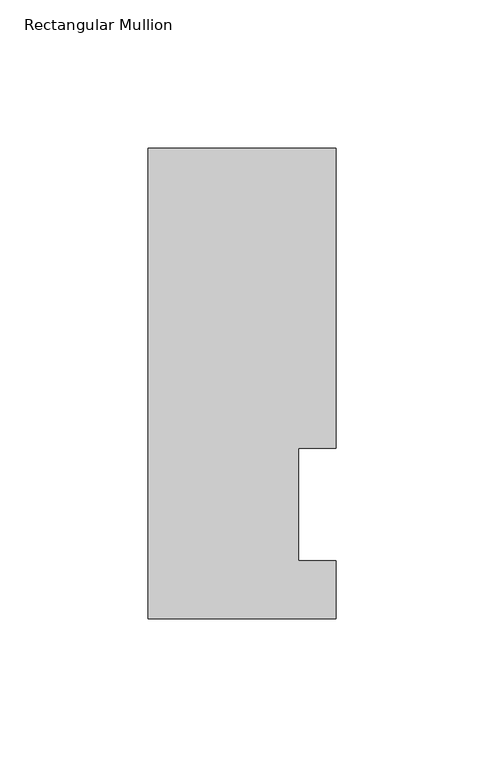
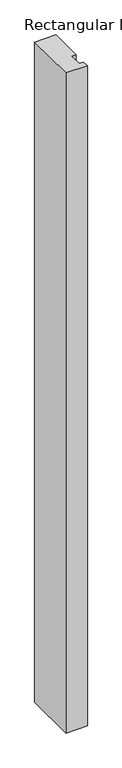
"""IFC4 building model written with IfcOpenShell, lengths in millimetres: member geometry, Rectangular Mullion."""

from ifc_helpers import new_model, si_unit, frame, origin, place, context, project, spatial, polyline, outline, extrude, source, transform, mapped, element, save


def rectangular_mullion_07258047(model_context):
    return source(origin(), model_context, "Body", "SweptSolid", [
        extrude(outline(polyline([(19.05, 57.94375), (19.05, 19.8533568), (31.75, 19.8533568), (31.75, 0.3207568), (-31.75, 0.3207568), (-31.75, 159.13735), (31.75, 159.13735), (31.75, 57.94375), (19.05, 57.94375)])), frame((0.0, 0.0, -2057.4), z_axis=(0.0, 0.0, 1.0), x_axis=(1.0, 0.0, 0.0)), (0.0, 0.0, 1.0), 2057.4),
    ])


if __name__ == "__main__":
    model = new_model("IFC4")
    model_context = context("Model", 3, world=origin())
    ifc_project = project(units=[si_unit("LENGTHUNIT", "METRE", prefix="MILLI")], contexts=[model_context])
    site = spatial("IfcSite", under=ifc_project)
    building = spatial("IfcBuilding", under=site)
    placement = place(None, origin())
    rectangular_mullion_shape = rectangular_mullion_07258047(model_context)
    element("IfcMember", 1, ObjectType="Rectangular Mullion", at=placement, inside=building, context=model_context, shape_type="MappedRepresentation", body=[
        mapped(rectangular_mullion_shape, transform((0.0, 0.0, 0.0), x_axis=(1.0, 0.0, 0.0), y_axis=(0.0, 1.0, 0.0), z_axis=(0.0, 0.0, 1.0))),
    ])
    save(model, "model.ifc")
